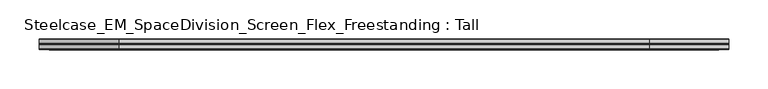
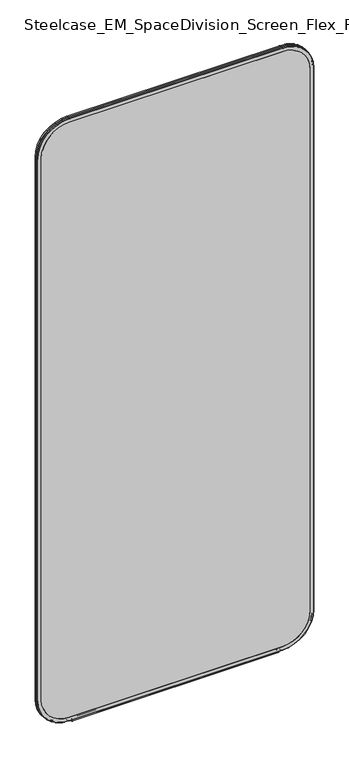
"""IFC4 building model written with IfcOpenShell, lengths in millimetres: furniture geometry, Steelcase_EM_SpaceDivision_Screen_Flex_Freestanding : Tall."""

import ifcopenshell
import ifcopenshell.guid

model = None  # the IFC model being written
_history = None  # IfcOwnerHistory: only IFC2X3 demands one
_inside = {}  # id of a spatial element -> (the spatial element, [elements in it])
_under = {}  # id of a project, library or spatial element -> (it, [spatial elements below it])
_declared = {}  # id of a project -> (the project, [libraries it declares])
_typed = {}  # id of a type object -> (the type object, [elements of that type])
_made_of = {}  # id of a material, layer set ... -> (it, [elements and type objects made of it])


def new_model(schema):
    """Start an empty IFC model of exactly this schema.

    Asked for "IFC4X3", IfcOpenShell would pick the latest addendum, in which some entities
    have other attributes; the version numbers below select the first issue.
    IFC2X3 requires an IfcOwnerHistory on every rooted entity: one is made here for all.
    """
    global model, _history
    if schema == "IFC4X3":
        model = ifcopenshell.file(schema_version=(4, 3, 0, 0))
    else:
        model = ifcopenshell.file(schema=schema)
    _inside.clear()
    _under.clear()
    _declared.clear()
    _typed.clear()
    _made_of.clear()
    _history = None
    if model.schema == "IFC2X3":
        org = make("IfcOrganization", Name="unknown")
        user = make(
            "IfcPersonAndOrganization",
            ThePerson=make("IfcPerson", FamilyName="unknown"),
            TheOrganization=org,
        )
        app = make(
            "IfcApplication",
            ApplicationDeveloper=org,
            Version="unknown",
            ApplicationFullName="unknown",
            ApplicationIdentifier="unknown",
        )
        _history = make(
            "IfcOwnerHistory",
            OwningUser=user,
            OwningApplication=app,
            ChangeAction="ADDED",
            CreationDate=0,
        )
    return model


def make(cls, **values):
    """One entity of the class cls with the attributes given. An attribute that is None is left unset."""
    return model.create_entity(
        cls, **{name: value for name, value in values.items() if value is not None}
    )


def rooted(cls, **values):
    """An entity with a GlobalId (a new one), such as an element, a storey or a relation."""
    return make(cls, GlobalId=ifcopenshell.guid.new(), OwnerHistory=_history, **values)


def si_unit(unit_type, name, prefix=None):
    """IfcSIUnit, for example si_unit("LENGTHUNIT", "METRE", prefix="MILLI")."""
    return make("IfcSIUnit", UnitType=unit_type, Prefix=prefix, Name=name)


def assignment(units):
    """IfcUnitAssignment: the units of a project."""
    return None if units is None else make("IfcUnitAssignment", Units=units)


def point(xyz):
    """IfcCartesianPoint."""
    return None if xyz is None else make("IfcCartesianPoint", Coordinates=xyz)


def direction(xyz):
    """IfcDirection."""
    return None if xyz is None else make("IfcDirection", DirectionRatios=xyz)


def frame(location, z_axis=None, x_axis=None):
    """IfcAxis2Placement3D, a coordinate frame: its origin and axes. An axis left out is left unset."""
    return make(
        "IfcAxis2Placement3D",
        Location=point(location),
        Axis=direction(z_axis),
        RefDirection=direction(x_axis),
    )


def frame_2d(location, x_axis=None):
    """IfcAxis2Placement2D, a coordinate frame in the plane: its origin and x axis."""
    return make(
        "IfcAxis2Placement2D", Location=point(location), RefDirection=direction(x_axis)
    )


def origin():
    """The frame at (0, 0, 0) with its axes left unset."""
    return frame((0.0, 0.0, 0.0))


def place(relative_to, where):
    """IfcLocalPlacement: puts the frame where relative to a parent placement (None: the world)."""
    return make(
        "IfcLocalPlacement", PlacementRelTo=relative_to, RelativePlacement=where
    )


def context(
    kind, dimensions, precision=None, world=None, true_north=None, identifier=None
):
    """IfcGeometricRepresentationContext, for example the 3D "Model" context."""
    return make(
        "IfcGeometricRepresentationContext",
        ContextIdentifier=identifier,
        ContextType=kind,
        CoordinateSpaceDimension=dimensions,
        Precision=precision,
        WorldCoordinateSystem=world,
        TrueNorth=true_north,
    )


def project(units=None, contexts=None):
    """IfcProject with its units and contexts."""
    return rooted(
        "IfcProject",
        Name="project",
        RepresentationContexts=contexts,
        UnitsInContext=assignment(units),
    )


def spatial(cls, under=None, at=None, **own):
    """A site, building, storey or space (cls), placed at a placement, below another one or the project."""
    s = rooted(cls, ObjectPlacement=at, **own)
    if under is not None:
        _under.setdefault(under.id(), (under, []))[1].append(s)
    return s


def polyline(points):
    """IfcPolyline through the points."""
    return make("IfcPolyline", Points=[point(p) for p in points])


def circle_curve(where, radius):
    """IfcCircle in the frame where."""
    return make("IfcCircle", Position=where, Radius=radius)


def ellipse_curve(where, semi_axis1, semi_axis2):
    """IfcEllipse in the frame where."""
    return make(
        "IfcEllipse", Position=where, SemiAxis1=semi_axis1, SemiAxis2=semi_axis2
    )


def trimmed(basis, trim1, trim2, sense, master):
    """IfcTrimmedCurve: the piece of a basis curve between two trims."""
    return make(
        "IfcTrimmedCurve",
        BasisCurve=basis,
        Trim1=trim1,
        Trim2=trim2,
        SenseAgreement=sense,
        MasterRepresentation=master,
    )


def segment(curve, same_sense, transition):
    """IfcCompositeCurveSegment."""
    return make(
        "IfcCompositeCurveSegment",
        Transition=transition,
        SameSense=same_sense,
        ParentCurve=curve,
    )


def composite_curve(segments, self_intersect=None):
    """IfcCompositeCurve: segments joined end to end."""
    return make("IfcCompositeCurve", Segments=segments, SelfIntersect=self_intersect)


def outline(outer, holes=None, kind="AREA"):
    """IfcArbitraryClosedProfileDef: a profile drawn as a closed curve; with holes, ...WithVoids."""
    if holes is None:
        return make("IfcArbitraryClosedProfileDef", ProfileType=kind, OuterCurve=outer)
    return make(
        "IfcArbitraryProfileDefWithVoids",
        ProfileType=kind,
        OuterCurve=outer,
        InnerCurves=holes,
    )


def extrude(swept, where, along, depth):
    """IfcExtrudedAreaSolid: the profile swept, set in the frame where, extruded along a direction by depth."""
    return make(
        "IfcExtrudedAreaSolid",
        SweptArea=swept,
        Position=where,
        ExtrudedDirection=direction(along),
        Depth=depth,
    )


def shape(context_of_items, identifier, shape_type, items):
    """IfcShapeRepresentation: the items that make up one representation, for example the "Body"."""
    return make(
        "IfcShapeRepresentation",
        ContextOfItems=context_of_items,
        RepresentationIdentifier=identifier,
        RepresentationType=shape_type,
        Items=items,
    )


def source(mapping_origin, context_of_items, identifier, shape_type, items):
    """IfcRepresentationMap: a shape defined once, which mapped items show again and again."""
    return make(
        "IfcRepresentationMap",
        MappingOrigin=mapping_origin,
        MappedRepresentation=shape(context_of_items, identifier, shape_type, items),
    )


def transform(
    local_origin,
    x_axis=None,
    y_axis=None,
    z_axis=None,
    scale=None,
    scale2=None,
    scale3=None,
    uniform=True,
):
    """IfcCartesianTransformationOperator3D, or its non-uniform kind. x_axis, y_axis, z_axis: its Axis1, 2, 3."""
    if uniform:
        return make(
            "IfcCartesianTransformationOperator3D",
            Axis1=direction(x_axis),
            Axis2=direction(y_axis),
            LocalOrigin=point(local_origin),
            Scale=scale,
            Axis3=direction(z_axis),
        )
    return make(
        "IfcCartesianTransformationOperator3DnonUniform",
        Axis1=direction(x_axis),
        Axis2=direction(y_axis),
        LocalOrigin=point(local_origin),
        Scale=scale,
        Axis3=direction(z_axis),
        Scale2=scale2,
        Scale3=scale3,
    )


def mapped(mapping_source, mapping_target):
    """IfcMappedItem: shows the shape of a source again, moved by a transform."""
    return make(
        "IfcMappedItem", MappingSource=mapping_source, MappingTarget=mapping_target
    )


def made_of(thing, what):
    """Note that an element or type object is made of a material, layer set ...; save() writes the relation."""
    if what is not None:
        _made_of.setdefault(what.id(), (what, []))[1].append(thing)
    return thing


def element(
    cls,
    number,
    at=None,
    inside=None,
    cuts=None,
    type_object=None,
    material=None,
    context=None,
    identifier="Body",
    shape_type=None,
    held_by="IfcProductDefinitionShape",
    body=None,
    shapes=None,
    **own,
):
    """One element of the class cls, such as IfcWall. Its Tag is "e" and its number.

    at: its placement. inside: the storey or other place that contains it. cuts: it is an
    opening in that element (IfcRelVoidsElement). A single representation is given by context,
    identifier, shape_type and body (its items); several are given by shapes. held_by: the class
    of the entity that holds the representations. save() writes the other relations.
    """
    e = rooted(cls, Tag="e%d" % number, ObjectPlacement=at, **own)
    if body is not None:
        shapes = [shape(context, identifier, shape_type, body)]
    if shapes is not None:
        e.Representation = make(held_by, Representations=shapes)
    if inside is not None:
        _inside.setdefault(inside.id(), (inside, []))[1].append(e)
    if cuts is not None:
        rooted(
            "IfcRelVoidsElement", RelatingBuildingElement=cuts, RelatedOpeningElement=e
        )
    if type_object is not None:
        _typed.setdefault(type_object.id(), (type_object, []))[1].append(e)
    return made_of(e, material)


def aggregate(whole, parts):
    """IfcRelAggregates: a whole, such as a stair, and the parts it consists of."""
    return rooted("IfcRelAggregates", RelatingObject=whole, RelatedObjects=parts)


def save(model, path):
    """Write the relations noted so far, then the file.

    IfcRelAggregates (storeys below a building ...), IfcRelContainedInSpatialStructure (elements
    in a storey), IfcRelDefinesByType, IfcRelAssociatesMaterial and IfcRelDeclares: one each for
    every whole, place, type object, material and project.
    """
    for whole, parts in _under.values():
        aggregate(whole, parts)
    for where, things in _inside.values():
        rooted(
            "IfcRelContainedInSpatialStructure",
            RelatedElements=things,
            RelatingStructure=where,
        )
    for kind, things in _typed.values():
        rooted("IfcRelDefinesByType", RelatedObjects=things, RelatingType=kind)
    for what, things in _made_of.values():
        rooted("IfcRelAssociatesMaterial", RelatedObjects=things, RelatingMaterial=what)
    for by, libraries in _declared.values():
        rooted("IfcRelDeclares", RelatingContext=by, RelatedDefinitions=libraries)
    model.write(path)


def plane_surface(at):
    """IfcPlane: the flat surface through the origin of the frame at, square to its z axis."""
    return make("IfcPlane", Position=at)


def cylinder_surface(at, radius):
    """IfcCylindricalSurface: all points at the distance radius from the z axis of the frame at."""
    return make("IfcCylindricalSurface", Position=at, Radius=radius)


def revolved_surface(curve, axis_point, axis_direction):
    """IfcSurfaceOfRevolution: the curve turned about the line through axis_point along axis_direction."""
    return make(
        "IfcSurfaceOfRevolution",
        SweptCurve=make("IfcArbitraryOpenProfileDef", ProfileType="CURVE", Curve=curve),
        AxisPosition=make("IfcAxis1Placement", Location=point(axis_point), Axis=direction(axis_direction)),
    )


def advanced_brep(points, edges, surfaces, faces):
    """IfcAdvancedBrep: a solid bounded by faces that lie on surfaces and meet in shared edges.

    An edge is (start, end): straight between two places in points (the first is 0);
    or (start, end, curve); or (start, end, curve, False) where it runs against its curve.
    A face is (place in surfaces, loops), or (place, loops, False) where it looks against
    its surface's normal. A loop lists edges by number (the first is 1), with a minus sign
    where the edge is run from its end to its start. The first loop is the outer one.
    """
    corners = [point(p) for p in points]
    vertices = [make("IfcVertexPoint", VertexGeometry=c) for c in corners]
    made = []
    for start, end, *more in edges:
        made.append(
            make(
                "IfcEdgeCurve",
                EdgeStart=vertices[start],
                EdgeEnd=vertices[end],
                EdgeGeometry=more[0] if more else make("IfcPolyline", Points=[corners[start], corners[end]]),
                SameSense=more[1] if len(more) > 1 else True,
            )
        )
    hull = []
    for where, loops, *sense in faces:
        bounds = []
        for j, loop in enumerate(loops):
            ring = [make("IfcOrientedEdge", EdgeElement=made[abs(k) - 1], Orientation=k > 0) for k in loop]
            bounds.append(
                make(
                    "IfcFaceOuterBound" if j == 0 else "IfcFaceBound",
                    Bound=make("IfcEdgeLoop", EdgeList=ring),
                    Orientation=True,
                )
            )
        hull.append(make("IfcAdvancedFace", Bounds=bounds, FaceSurface=surfaces[where], SameSense=sense[0] if sense else True))
    return make("IfcAdvancedBrep", Outer=make("IfcClosedShell", CfsFaces=hull))


def steelcase_em_spacedivision_screen_flex_freestanding_tall_62947a7c(model_context):
    return source(origin(), model_context, "Body", "SolidModel", [
        extrude(outline(composite_curve([segment(trimmed(circle_curve(frame_2d((3.5, 2.4751953)), 2.5), [point((3.5, 4.9751953))], [point((1.4656663, 1.0220998))], False, "CARTESIAN"), True, "CONTINUOUS"), segment(trimmed(circle_curve(frame_2d((0.0, -0.0248047)), 1.8011626), [point((1.4656663, 1.0220998))], [point((-1.4656663, 1.0220998))], True, "CARTESIAN"), True, "CONTINUOUS"), segment(trimmed(circle_curve(frame_2d((-3.5, 2.4751953)), 2.5), [point((-1.4656663, 1.0220998))], [point((-3.5, 4.9751953))], False, "CARTESIAN"), True, "CONTINUOUS"), segment(trimmed(circle_curve(frame_2d((-3.5, 4.4751953)), 0.5), [point((-3.5, 4.9751953))], [point((-3.5, 3.9751953))], False, "CARTESIAN"), True, "CONTINUOUS"), segment(trimmed(circle_curve(frame_2d((-3.5, 2.4751953)), 1.5), [point((-3.5, 3.9751953))], [point((-2.3025096, 1.5718589))], True, "CARTESIAN"), True, "CONTINUOUS"), segment(trimmed(circle_curve(frame_2d((-10.3325937, 7.629417)), 10.0586411), [point((-2.3025096, 1.5718589))], [point((-0.714976, 4.6836248))], True, "CARTESIAN"), True, "CONTINUOUS"), segment(trimmed(circle_curve(frame_2d((0.0, 4.4646339)), 0.7477618), [point((-0.714976, 4.6836248))], [point((0.714976, 4.6836248))], False, "CARTESIAN"), True, "CONTINUOUS"), segment(trimmed(circle_curve(frame_2d((10.3325937, 7.629417)), 10.0586411), [point((0.714976, 4.6836248))], [point((2.3025096, 1.5718589))], True, "CARTESIAN"), True, "CONTINUOUS"), segment(trimmed(circle_curve(frame_2d((3.5, 2.4751953)), 1.5), [point((2.3025096, 1.5718589))], [point((3.5, 3.9751953))], True, "CARTESIAN"), True, "CONTINUOUS"), segment(trimmed(circle_curve(frame_2d((3.5, 4.4751953)), 0.5), [point((3.5, 3.9751953))], [point((3.5, 4.9751953))], False, "CARTESIAN"), True, "CONTINUOUS")], self_intersect=False)), frame((120.0, 0.0, 0.0), z_axis=(1.0, 0.0, 0.0), x_axis=(0.0, 1.0, 0.0)), (0.0, 0.0, 1.0), 660.0),
        advanced_brep(
        [(9.9273521, 0.0, 1930.4), (9.9273521, 0.0, 106.5996464), (110.7653521, 0.0, 5.7616464), (789.2594661, 0.0, 5.7616464), (890.0974661, 0.0, 106.5996464), (890.0974661, 0.0, 1930.4), (789.2594661, 0.0, 2031.238), (110.7653521, 0.0, 2031.238), (789.2594661, 0.0, 17.6996464), (110.7653521, 0.0, 17.6996464), (21.8653521, 0.0, 106.5996464), (21.8653521, 0.0, 1930.4), (110.7653521, 0.0, 2019.3), (789.2594661, 0.0, 2019.3), (878.1594661, 0.0, 1930.4), (878.1594661, 0.0, 106.5996464), (110.7653521, 0.762, 2032.0), (9.1653521, 0.762, 1930.4), (110.7653521, 6.096, 2032.0), (9.1653521, 6.096, 1930.4), (110.7653521, 6.858, 2031.238), (9.9273521, 6.858, 1930.4), (21.8653521, 6.858, 1930.4), (110.7653521, 6.858, 2019.3), (789.2594661, 0.762, 2032.0), (789.2594661, 6.096, 2032.0), (789.2594661, 6.858, 2031.238), (789.2594661, 6.858, 2019.3), (890.8594661, 0.762, 1930.4), (890.8594661, 6.096, 1930.4), (890.0974661, 6.858, 1930.4), (878.1594661, 6.858, 1930.4), (890.8594661, 0.762, 106.5996464), (890.8594661, 6.096, 106.5996464), (890.0974661, 6.858, 106.5996464), (878.1594661, 6.858, 106.5996464), (789.2594661, 0.762, 4.9996464), (789.2594661, 6.096, 4.9996464), (789.2594661, 6.858, 5.7616464), (789.2594661, 6.858, 17.6996464), (110.7653521, 0.762, 4.9996464), (110.7653521, 6.096, 4.9996464), (110.7653521, 6.858, 5.7616464), (110.7653521, 6.858, 17.6996464), (9.1653521, 0.762, 106.5996464), (9.1653521, 6.096, 106.5996464), (9.9273521, 6.858, 106.5996464), (21.8653521, 6.858, 106.5996464)],
        [
            (0, 1),
            (1, 2, circle_curve(frame((110.7653521, 0.0, 106.5996464), z_axis=(0.0, -1.0, 0.0), x_axis=(0.0, 0.0, -1.0)), 100.838)),
            (2, 3),
            (3, 4, circle_curve(frame((789.2594661, 0.0, 106.5996464), z_axis=(0.0, -1.0, 0.0), x_axis=(1.0, 0.0, 0.0)), 100.838)),
            (4, 5),
            (5, 6, circle_curve(frame((789.2594661, 0.0, 1930.4), z_axis=(0.0, -1.0, 0.0), x_axis=(0.0, 0.0, 1.0)), 100.838)),
            (6, 7),
            (7, 0, circle_curve(frame((110.7653521, 0.0, 1930.4), z_axis=(0.0, -1.0, 0.0), x_axis=(-1.0, 0.0, 0.0)), 100.838)),
            (8, 9),
            (9, 10, circle_curve(frame((110.7653521, 0.0, 106.5996464), z_axis=(0.0, 1.0, 0.0), x_axis=(0.0, 0.0, -1.0)), 88.9)),
            (10, 11),
            (11, 12, circle_curve(frame((110.7653521, 0.0, 1930.4), z_axis=(0.0, 1.0, 0.0), x_axis=(-1.0, 0.0, 0.0)), 88.9)),
            (12, 13),
            (13, 14, circle_curve(frame((789.2594661, 0.0, 1930.4), z_axis=(0.0, 1.0, 0.0), x_axis=(0.0, 0.0, 1.0)), 88.9)),
            (14, 15),
            (15, 8, circle_curve(frame((789.2594661, 0.0, 106.5996464), z_axis=(0.0, 1.0, 0.0), x_axis=(1.0, 0.0, 0.0)), 88.9)),
            (16, 17, circle_curve(frame((110.7653521, 0.762, 1930.4), z_axis=(0.0, -1.0, 0.0), x_axis=(-1.0, 0.0, 0.0)), 101.6)),
            (17, 0, circle_curve(frame((9.9273521, 0.762, 1930.4), z_axis=(0.0, 0.0, 1.0), x_axis=(-1.0, 0.0, 0.0)), 0.762)),
            (7, 16, circle_curve(frame((110.7653521, 0.762, 2031.238), z_axis=(-1.0, 0.0, 0.0), x_axis=(0.0, 0.0, 1.0)), 0.762)),
            (18, 19, circle_curve(frame((110.7653521, 6.096, 1930.4), z_axis=(0.0, -1.0, 0.0), x_axis=(-1.0, 0.0, 0.0)), 101.6)),
            (19, 17),
            (16, 18),
            (20, 21, circle_curve(frame((110.7653521, 6.858, 1930.4), z_axis=(0.0, -1.0, 0.0), x_axis=(-1.0, 0.0, 0.0)), 100.838)),
            (21, 19, circle_curve(frame((9.9273521, 6.096, 1930.4), z_axis=(0.0, 0.0, 1.0), x_axis=(-1.0, 0.0, 0.0)), 0.762)),
            (18, 20, circle_curve(frame((110.7653521, 6.096, 2031.238), z_axis=(-1.0, 0.0, 0.0), x_axis=(0.0, 0.0, 1.0)), 0.762)),
            (11, 22),
            (22, 23, circle_curve(frame((110.7653521, 6.858, 1930.4), z_axis=(0.0, 1.0, 0.0), x_axis=(-1.0, 0.0, 0.0)), 88.9)),
            (23, 12),
            (6, 24, circle_curve(frame((789.2594661, 0.762, 2031.238), z_axis=(-1.0, 0.0, 0.0), x_axis=(0.0, 0.0, 1.0)), 0.762)),
            (24, 16),
            (24, 25),
            (25, 18),
            (25, 26, circle_curve(frame((789.2594661, 6.096, 2031.238), z_axis=(-1.0, 0.0, 0.0), x_axis=(0.0, 0.0, 1.0)), 0.762)),
            (26, 20),
            (23, 27),
            (27, 13),
            (28, 24, circle_curve(frame((789.2594661, 0.762, 1930.4), z_axis=(0.0, -1.0, 0.0), x_axis=(0.0, 0.0, 1.0)), 101.6)),
            (5, 28, circle_curve(frame((890.0974661, 0.762, 1930.4), z_axis=(0.0, 0.0, 1.0), x_axis=(1.0, 0.0, 0.0)), 0.762)),
            (29, 25, circle_curve(frame((789.2594661, 6.096, 1930.4), z_axis=(0.0, -1.0, 0.0), x_axis=(0.0, 0.0, 1.0)), 101.6)),
            (28, 29),
            (30, 26, circle_curve(frame((789.2594661, 6.858, 1930.4), z_axis=(0.0, -1.0, 0.0), x_axis=(0.0, 0.0, 1.0)), 100.838)),
            (29, 30, circle_curve(frame((890.0974661, 6.096, 1930.4), z_axis=(0.0, 0.0, 1.0), x_axis=(1.0, 0.0, 0.0)), 0.762)),
            (27, 31, circle_curve(frame((789.2594661, 6.858, 1930.4), z_axis=(0.0, 1.0, 0.0), x_axis=(0.0, 0.0, 1.0)), 88.9)),
            (31, 14),
            (4, 32, circle_curve(frame((890.0974661, 0.762, 106.5996464), z_axis=(0.0, 0.0, 1.0), x_axis=(1.0, 0.0, 0.0)), 0.762)),
            (32, 28),
            (32, 33),
            (33, 29),
            (33, 34, circle_curve(frame((890.0974661, 6.096, 106.5996464), z_axis=(0.0, 0.0, 1.0), x_axis=(1.0, 0.0, 0.0)), 0.762)),
            (34, 30),
            (31, 35),
            (35, 15),
            (36, 32, circle_curve(frame((789.2594661, 0.762, 106.5996464), z_axis=(0.0, -1.0, 0.0), x_axis=(1.0, 0.0, 0.0)), 101.6)),
            (3, 36, circle_curve(frame((789.2594661, 0.762, 5.7616464), z_axis=(1.0, 0.0, 0.0), x_axis=(0.0, 0.0, -1.0)), 0.762)),
            (37, 33, circle_curve(frame((789.2594661, 6.096, 106.5996464), z_axis=(0.0, -1.0, 0.0), x_axis=(1.0, 0.0, 0.0)), 101.6)),
            (36, 37),
            (38, 34, circle_curve(frame((789.2594661, 6.858, 106.5996464), z_axis=(0.0, -1.0, 0.0), x_axis=(1.0, 0.0, 0.0)), 100.838)),
            (37, 38, circle_curve(frame((789.2594661, 6.096, 5.7616464), z_axis=(1.0, 0.0, 0.0), x_axis=(0.0, 0.0, -1.0)), 0.762)),
            (35, 39, circle_curve(frame((789.2594661, 6.858, 106.5996464), z_axis=(0.0, 1.0, 0.0), x_axis=(1.0, 0.0, 0.0)), 88.9)),
            (39, 8),
            (2, 40, circle_curve(frame((110.7653521, 0.762, 5.7616464), z_axis=(1.0, 0.0, 0.0), x_axis=(0.0, 0.0, -1.0)), 0.762)),
            (40, 36),
            (40, 41),
            (41, 37),
            (41, 42, circle_curve(frame((110.7653521, 6.096, 5.7616464), z_axis=(1.0, 0.0, 0.0), x_axis=(0.0, 0.0, -1.0)), 0.762)),
            (42, 38),
            (39, 43),
            (43, 9),
            (44, 40, circle_curve(frame((110.7653521, 0.762, 106.5996464), z_axis=(0.0, -1.0, 0.0), x_axis=(0.0, 0.0, -1.0)), 101.6)),
            (1, 44, circle_curve(frame((9.9273521, 0.762, 106.5996464), z_axis=(0.0, 0.0, -1.0), x_axis=(-1.0, 0.0, 0.0)), 0.762)),
            (45, 41, circle_curve(frame((110.7653521, 6.096, 106.5996464), z_axis=(0.0, -1.0, 0.0), x_axis=(0.0, 0.0, -1.0)), 101.6)),
            (44, 45),
            (46, 42, circle_curve(frame((110.7653521, 6.858, 106.5996464), z_axis=(0.0, -1.0, 0.0), x_axis=(0.0, 0.0, -1.0)), 100.838)),
            (45, 46, circle_curve(frame((9.9273521, 6.096, 106.5996464), z_axis=(0.0, 0.0, -1.0), x_axis=(-1.0, 0.0, 0.0)), 0.762)),
            (43, 47, circle_curve(frame((110.7653521, 6.858, 106.5996464), z_axis=(0.0, 1.0, 0.0), x_axis=(0.0, 0.0, -1.0)), 88.9)),
            (47, 10),
            (17, 44),
            (19, 45),
            (21, 46),
            (22, 47),
        ],
        [
            plane_surface(frame((21.8653521, 0.0, 106.5996464), z_axis=(0.0, -1.0, 0.0), x_axis=(0.0, 0.0, 1.0))),
            revolved_surface(trimmed(ellipse_curve(frame((9.9273521, 0.762, 1930.4), z_axis=(0.0, 0.0, -1.0), x_axis=(-1.0, 0.0, 0.0)), 0.762, 0.762), [point((9.9273521, 0.0, 1930.4))], [point((9.1653521, 0.762, 1930.4))], True, "CARTESIAN"), (110.7653521, 0.0, 1930.4), (0.0, 1.0, 0.0)),
            cylinder_surface(frame((110.7653521, 0.0, 1930.4), z_axis=(0.0, 1.0, 0.0), x_axis=(-1.0, 0.0, 0.0)), 101.6),
            revolved_surface(trimmed(ellipse_curve(frame((9.9273521, 6.096, 1930.4), z_axis=(0.0, 0.0, -1.0), x_axis=(-1.0, 0.0, 0.0)), 0.762, 0.762), [point((9.1653521, 6.096, 1930.4))], [point((9.9273521, 6.858, 1930.4))], True, "CARTESIAN"), (110.7653521, 0.0, 1930.4), (0.0, 1.0, 0.0)),
            revolved_surface(polyline([(21.865352099999996, 6.858, 1930.4), (21.865352099999996, 0.0, 1930.4)]), (110.7653521, 0.0, 1930.4), (0.0, 1.0, 0.0)),
            cylinder_surface(frame((110.7653521, 0.762, 2031.238), z_axis=(-1.0, 0.0, 0.0), x_axis=(0.0, 0.0, 1.0)), 0.762),
            plane_surface(frame((110.7653521, 0.762, 2032.0), z_axis=(0.0, 0.0, 1.0), x_axis=(1.0, 0.0, 0.0))),
            cylinder_surface(frame((110.7653521, 6.096, 2031.238), z_axis=(-1.0, 0.0, 0.0), x_axis=(0.0, 0.0, 1.0)), 0.762),
            plane_surface(frame((110.7653521, 6.858, 2019.3), z_axis=(0.0, 0.0, -1.0), x_axis=(1.0, 0.0, 0.0))),
            revolved_surface(trimmed(ellipse_curve(frame((789.2594661, 0.762, 2031.238), z_axis=(-1.0, 0.0, 0.0), x_axis=(0.0, 0.0, 1.0)), 0.762, 0.762), [point((789.2594661, 0.0, 2031.238))], [point((789.2594661, 0.762, 2032.0))], True, "CARTESIAN"), (789.2594661, 0.0, 1930.4), (0.0, 1.0, 0.0)),
            cylinder_surface(frame((789.2594661, 0.0, 1930.4), z_axis=(0.0, 1.0, 0.0), x_axis=(0.0, 0.0, 1.0)), 101.6),
            revolved_surface(trimmed(ellipse_curve(frame((789.2594661, 6.096, 2031.238), z_axis=(-1.0, 0.0, 0.0), x_axis=(0.0, 0.0, 1.0)), 0.762, 0.762), [point((789.2594661, 6.096, 2032.0))], [point((789.2594661, 6.858, 2031.238))], True, "CARTESIAN"), (789.2594661, 0.0, 1930.4), (0.0, 1.0, 0.0)),
            revolved_surface(polyline([(789.2594661, 6.858, 2019.3000000000002), (789.2594661, 0.0, 2019.3000000000002)]), (789.2594661, 0.0, 1930.4), (0.0, 1.0, 0.0)),
            cylinder_surface(frame((890.0974661, 0.762, 1930.4), z_axis=(0.0, 0.0, 1.0), x_axis=(1.0, 0.0, 0.0)), 0.762),
            plane_surface(frame((890.8594661, 0.762, 1930.4), z_axis=(1.0, 0.0, 0.0), x_axis=(0.0, 0.0, -1.0))),
            cylinder_surface(frame((890.0974661, 6.096, 1930.4), z_axis=(0.0, 0.0, 1.0), x_axis=(1.0, 0.0, 0.0)), 0.762),
            plane_surface(frame((878.1594661, 6.858, 1930.4), z_axis=(-1.0, 0.0, 0.0), x_axis=(0.0, 0.0, -1.0))),
            revolved_surface(trimmed(ellipse_curve(frame((890.0974661, 0.762, 106.5996464), z_axis=(0.0, 0.0, 1.0), x_axis=(1.0, 0.0, 0.0)), 0.762, 0.762), [point((890.0974661, 0.0, 106.5996464))], [point((890.8594661, 0.762, 106.5996464))], True, "CARTESIAN"), (789.2594661, 0.0, 106.5996464), (0.0, 1.0, 0.0)),
            cylinder_surface(frame((789.2594661, 0.0, 106.5996464), z_axis=(0.0, 1.0, 0.0), x_axis=(1.0, 0.0, 0.0)), 101.6),
            revolved_surface(trimmed(ellipse_curve(frame((890.0974661, 6.096, 106.5996464), z_axis=(0.0, 0.0, 1.0), x_axis=(1.0, 0.0, 0.0)), 0.762, 0.762), [point((890.8594661, 6.096, 106.5996464))], [point((890.0974661, 6.858, 106.5996464))], True, "CARTESIAN"), (789.2594661, 0.0, 106.5996464), (0.0, 1.0, 0.0)),
            revolved_surface(polyline([(878.1594661, 6.858, 106.5996464), (878.1594661, 0.0, 106.5996464)]), (789.2594661, 0.0, 106.5996464), (0.0, 1.0, 0.0)),
            cylinder_surface(frame((789.2594661, 0.762, 5.7616464), z_axis=(1.0, 0.0, 0.0), x_axis=(0.0, 0.0, -1.0)), 0.762),
            plane_surface(frame((789.2594661, 0.762, 4.9996464), z_axis=(0.0, 0.0, -1.0), x_axis=(-1.0, 0.0, 0.0))),
            cylinder_surface(frame((789.2594661, 6.096, 5.7616464), z_axis=(1.0, 0.0, 0.0), x_axis=(0.0, 0.0, -1.0)), 0.762),
            plane_surface(frame((789.2594661, 6.858, 17.6996464), z_axis=(0.0, 0.0, 1.0), x_axis=(-1.0, 0.0, 0.0))),
            revolved_surface(trimmed(ellipse_curve(frame((110.7653521, 0.762, 5.7616464), z_axis=(1.0, 0.0, 0.0), x_axis=(0.0, 0.0, -1.0)), 0.762, 0.762), [point((110.7653521, 0.0, 5.7616464))], [point((110.7653521, 0.762, 4.9996464))], True, "CARTESIAN"), (110.7653521, 0.0, 106.5996464), (0.0, 1.0, 0.0)),
            cylinder_surface(frame((110.7653521, 0.0, 106.5996464), z_axis=(0.0, 1.0, 0.0), x_axis=(0.0, 0.0, -1.0)), 101.6),
            revolved_surface(trimmed(ellipse_curve(frame((110.7653521, 6.096, 5.7616464), z_axis=(1.0, 0.0, 0.0), x_axis=(0.0, 0.0, -1.0)), 0.762, 0.762), [point((110.7653521, 6.096, 4.9996464))], [point((110.7653521, 6.858, 5.7616464))], True, "CARTESIAN"), (110.7653521, 0.0, 106.5996464), (0.0, 1.0, 0.0)),
            revolved_surface(polyline([(110.7653521, 6.858, 17.699646399999992), (110.7653521, 0.0, 17.699646399999992)]), (110.7653521, 0.0, 106.5996464), (0.0, 1.0, 0.0)),
            cylinder_surface(frame((9.9273521, 0.762, 106.5996464), z_axis=(0.0, 0.0, -1.0), x_axis=(-1.0, 0.0, 0.0)), 0.762),
            plane_surface(frame((9.1653521, 0.762, 106.5996464), z_axis=(-1.0, 0.0, 0.0), x_axis=(0.0, 0.0, 1.0))),
            cylinder_surface(frame((9.9273521, 6.096, 106.5996464), z_axis=(0.0, 0.0, -1.0), x_axis=(-1.0, 0.0, 0.0)), 0.762),
            plane_surface(frame((9.9273521, 6.858, 106.5996464), z_axis=(0.0, 1.0, 0.0), x_axis=(0.0, 0.0, 1.0))),
            plane_surface(frame((21.8653521, 6.858, 106.5996464), z_axis=(1.0, 0.0, 0.0), x_axis=(0.0, 0.0, 1.0))),
        ],
        [
            (0, [[1, 2, 3, 4, 5, 6, 7, 8], [9, 10, 11, 12, 13, 14, 15, 16]]),
            (1, [[17, 18, -8, 19]]),
            (2, [[20, 21, -17, 22]]),
            (3, [[23, 24, -20, 25]]),
            (4, [[-12, 26, 27, 28]]),
            (5, [[-19, -7, 29, 30]]),
            (6, [[-22, -30, 31, 32]]),
            (7, [[-25, -32, 33, 34]]),
            (8, [[-28, 35, 36, -13]]),
            (9, [[37, -29, -6, 38]]),
            (10, [[39, -31, -37, 40]]),
            (11, [[41, -33, -39, 42]]),
            (12, [[-14, -36, 43, 44]]),
            (13, [[-38, -5, 45, 46]]),
            (14, [[-40, -46, 47, 48]]),
            (15, [[-42, -48, 49, 50]]),
            (16, [[-44, 51, 52, -15]]),
            (17, [[53, -45, -4, 54]]),
            (18, [[55, -47, -53, 56]]),
            (19, [[57, -49, -55, 58]]),
            (20, [[-16, -52, 59, 60]]),
            (21, [[-54, -3, 61, 62]]),
            (22, [[-56, -62, 63, 64]]),
            (23, [[-58, -64, 65, 66]]),
            (24, [[-60, 67, 68, -9]]),
            (25, [[69, -61, -2, 70]]),
            (26, [[71, -63, -69, 72]]),
            (27, [[73, -65, -71, 74]]),
            (28, [[-10, -68, 75, 76]]),
            (29, [[-70, -1, -18, 77]]),
            (30, [[-72, -77, -21, 78]]),
            (31, [[-74, -78, -24, 79]]),
            (32, [[-66, -73, -79, -23, -34, -41, -50, -57], [80, -75, -67, -59, -51, -43, -35, -27]]),
            (33, [[-76, -80, -26, -11]]),
        ],
    ),
        extrude(outline(composite_curve([segment(polyline([(2019.3, 789.2594661), (2019.3, 110.7653521)]), True, "CONTINUOUS"), segment(trimmed(circle_curve(frame_2d((1930.4, 110.7653521)), 88.9), [point((2019.3, 110.7653521))], [point((1930.4, 21.8653521))], False, "CARTESIAN"), True, "CONTINUOUS"), segment(polyline([(1930.4, 21.8653521), (106.5996464, 21.8653521)]), True, "CONTINUOUS"), segment(trimmed(circle_curve(frame_2d((106.5996464, 110.7653521)), 88.9), [point((106.5996464, 21.8653521))], [point((17.6996464, 110.7653521))], False, "CARTESIAN"), True, "CONTINUOUS"), segment(polyline([(17.6996464, 110.7653521), (17.6996464, 789.2594661)]), True, "CONTINUOUS"), segment(trimmed(circle_curve(frame_2d((106.5996464, 789.2594661)), 88.9), [point((17.6996464, 789.2594661))], [point((106.5996464, 878.1594661))], False, "CARTESIAN"), True, "CONTINUOUS"), segment(polyline([(106.5996464, 878.1594661), (1930.4, 878.1594661)]), True, "CONTINUOUS"), segment(trimmed(circle_curve(frame_2d((1930.4, 789.2594661)), 88.9), [point((1930.4, 878.1594661))], [point((2019.3, 789.2594661))], False, "CARTESIAN"), True, "CONTINUOUS")], self_intersect=False)), frame((0.0, 0.0, 0.0), z_axis=(0.0, 1.0, 0.0), x_axis=(0.0, 0.0, 1.0)), (0.0, 0.0, 1.0), 6.858),
        advanced_brep(
        [(110.7653521, -6.858, 2019.3), (21.8653521, -6.858, 1930.4), (21.8653521, 0.0, 1930.4), (110.7653521, 0.0, 2019.3), (110.7653521, -6.096, 2032.0), (9.1653521, -6.096, 1930.4), (9.9273521, -6.858, 1930.4), (110.7653521, -6.858, 2031.238), (110.7653521, -0.762, 2032.0), (9.1653521, -0.762, 1930.4), (110.7653521, 0.0, 2031.238), (9.9273521, 0.0, 1930.4), (789.2594661, 0.0, 2019.3), (789.2594661, -6.858, 2019.3), (789.2594661, -6.858, 2031.238), (789.2594661, -6.096, 2032.0), (789.2594661, -0.762, 2032.0), (789.2594661, 0.0, 2031.238), (878.1594661, -6.858, 1930.4), (878.1594661, 0.0, 1930.4), (890.8594661, -6.096, 1930.4), (890.0974661, -6.858, 1930.4), (890.8594661, -0.762, 1930.4), (890.0974661, 0.0, 1930.4), (878.1594661, 0.0, 106.5996464), (878.1594661, -6.858, 106.5996464), (890.0974661, -6.858, 106.5996464), (890.8594661, -6.096, 106.5996464), (890.8594661, -0.762, 106.5996464), (890.0974661, 0.0, 106.5996464), (789.2594661, -6.858, 17.6996464), (789.2594661, 0.0, 17.6996464), (789.2594661, -6.096, 4.9996464), (789.2594661, -6.858, 5.7616464), (789.2594661, -0.762, 4.9996464), (789.2594661, 0.0, 5.7616464), (110.7653521, 0.0, 17.6996464), (110.7653521, -6.858, 17.6996464), (110.7653521, -6.858, 5.7616464), (110.7653521, -6.096, 4.9996464), (110.7653521, -0.762, 4.9996464), (110.7653521, 0.0, 5.7616464), (21.8653521, -6.858, 106.5996464), (21.8653521, 0.0, 106.5996464), (9.1653521, -6.096, 106.5996464), (9.9273521, -6.858, 106.5996464), (9.1653521, -0.762, 106.5996464), (9.9273521, 0.0, 106.5996464)],
        [
            (0, 1, circle_curve(frame((110.7653521, -6.858, 1930.4), z_axis=(0.0, -1.0, 0.0), x_axis=(-1.0, 0.0, 0.0)), 88.9)),
            (1, 2),
            (2, 3, circle_curve(frame((110.7653521, 0.0, 1930.4), z_axis=(0.0, 1.0, 0.0), x_axis=(-1.0, 0.0, 0.0)), 88.9)),
            (3, 0),
            (4, 5, circle_curve(frame((110.7653521, -6.096, 1930.4), z_axis=(0.0, -1.0, 0.0), x_axis=(-1.0, 0.0, 0.0)), 101.6)),
            (5, 6, circle_curve(frame((9.9273521, -6.096, 1930.4), z_axis=(0.0, 0.0, 1.0), x_axis=(-1.0, 0.0, 0.0)), 0.762)),
            (6, 7, circle_curve(frame((110.7653521, -6.858, 1930.4), z_axis=(0.0, 1.0, 0.0), x_axis=(-1.0, 0.0, 0.0)), 100.838)),
            (7, 4, circle_curve(frame((110.7653521, -6.096, 2031.238), z_axis=(-1.0, 0.0, 0.0), x_axis=(0.0, 0.0, 1.0)), 0.762)),
            (8, 9, circle_curve(frame((110.7653521, -0.762, 1930.4), z_axis=(0.0, -1.0, 0.0), x_axis=(-1.0, 0.0, 0.0)), 101.6)),
            (9, 5),
            (4, 8),
            (10, 11, circle_curve(frame((110.7653521, 0.0, 1930.4), z_axis=(0.0, -1.0, 0.0), x_axis=(-1.0, 0.0, 0.0)), 100.838)),
            (11, 9, circle_curve(frame((9.9273521, -0.762, 1930.4), z_axis=(0.0, 0.0, 1.0), x_axis=(-1.0, 0.0, 0.0)), 0.762)),
            (8, 10, circle_curve(frame((110.7653521, -0.762, 2031.238), z_axis=(-1.0, 0.0, 0.0), x_axis=(0.0, 0.0, 1.0)), 0.762)),
            (3, 12),
            (12, 13),
            (13, 0),
            (7, 14),
            (14, 15, circle_curve(frame((789.2594661, -6.096, 2031.238), z_axis=(-1.0, 0.0, 0.0), x_axis=(0.0, 0.0, 1.0)), 0.762)),
            (15, 4),
            (15, 16),
            (16, 8),
            (16, 17, circle_curve(frame((789.2594661, -0.762, 2031.238), z_axis=(-1.0, 0.0, 0.0), x_axis=(0.0, 0.0, 1.0)), 0.762)),
            (17, 10),
            (18, 13, circle_curve(frame((789.2594661, -6.858, 1930.4), z_axis=(0.0, -1.0, 0.0), x_axis=(0.0, 0.0, 1.0)), 88.9)),
            (12, 19, circle_curve(frame((789.2594661, 0.0, 1930.4), z_axis=(0.0, 1.0, 0.0), x_axis=(0.0, 0.0, 1.0)), 88.9)),
            (19, 18),
            (20, 15, circle_curve(frame((789.2594661, -6.096, 1930.4), z_axis=(0.0, -1.0, 0.0), x_axis=(0.0, 0.0, 1.0)), 101.6)),
            (14, 21, circle_curve(frame((789.2594661, -6.858, 1930.4), z_axis=(0.0, 1.0, 0.0), x_axis=(0.0, 0.0, 1.0)), 100.838)),
            (21, 20, circle_curve(frame((890.0974661, -6.096, 1930.4), z_axis=(0.0, 0.0, 1.0), x_axis=(1.0, 0.0, 0.0)), 0.762)),
            (22, 16, circle_curve(frame((789.2594661, -0.762, 1930.4), z_axis=(0.0, -1.0, 0.0), x_axis=(0.0, 0.0, 1.0)), 101.6)),
            (20, 22),
            (23, 17, circle_curve(frame((789.2594661, 0.0, 1930.4), z_axis=(0.0, -1.0, 0.0), x_axis=(0.0, 0.0, 1.0)), 100.838)),
            (22, 23, circle_curve(frame((890.0974661, -0.762, 1930.4), z_axis=(0.0, 0.0, 1.0), x_axis=(1.0, 0.0, 0.0)), 0.762)),
            (19, 24),
            (24, 25),
            (25, 18),
            (21, 26),
            (26, 27, circle_curve(frame((890.0974661, -6.096, 106.5996464), z_axis=(0.0, 0.0, 1.0), x_axis=(1.0, 0.0, 0.0)), 0.762)),
            (27, 20),
            (27, 28),
            (28, 22),
            (28, 29, circle_curve(frame((890.0974661, -0.762, 106.5996464), z_axis=(0.0, 0.0, 1.0), x_axis=(1.0, 0.0, 0.0)), 0.762)),
            (29, 23),
            (30, 25, circle_curve(frame((789.2594661, -6.858, 106.5996464), z_axis=(0.0, -1.0, 0.0), x_axis=(1.0, 0.0, 0.0)), 88.9)),
            (24, 31, circle_curve(frame((789.2594661, 0.0, 106.5996464), z_axis=(0.0, 1.0, 0.0), x_axis=(1.0, 0.0, 0.0)), 88.9)),
            (31, 30),
            (32, 27, circle_curve(frame((789.2594661, -6.096, 106.5996464), z_axis=(0.0, -1.0, 0.0), x_axis=(1.0, 0.0, 0.0)), 101.6)),
            (26, 33, circle_curve(frame((789.2594661, -6.858, 106.5996464), z_axis=(0.0, 1.0, 0.0), x_axis=(1.0, 0.0, 0.0)), 100.838)),
            (33, 32, circle_curve(frame((789.2594661, -6.096, 5.7616464), z_axis=(1.0, 0.0, 0.0), x_axis=(0.0, 0.0, -1.0)), 0.762)),
            (34, 28, circle_curve(frame((789.2594661, -0.762, 106.5996464), z_axis=(0.0, -1.0, 0.0), x_axis=(1.0, 0.0, 0.0)), 101.6)),
            (32, 34),
            (35, 29, circle_curve(frame((789.2594661, 0.0, 106.5996464), z_axis=(0.0, -1.0, 0.0), x_axis=(1.0, 0.0, 0.0)), 100.838)),
            (34, 35, circle_curve(frame((789.2594661, -0.762, 5.7616464), z_axis=(1.0, 0.0, 0.0), x_axis=(0.0, 0.0, -1.0)), 0.762)),
            (31, 36),
            (36, 37),
            (37, 30),
            (33, 38),
            (38, 39, circle_curve(frame((110.7653521, -6.096, 5.7616464), z_axis=(1.0, 0.0, 0.0), x_axis=(0.0, 0.0, -1.0)), 0.762)),
            (39, 32),
            (39, 40),
            (40, 34),
            (40, 41, circle_curve(frame((110.7653521, -0.762, 5.7616464), z_axis=(1.0, 0.0, 0.0), x_axis=(0.0, 0.0, -1.0)), 0.762)),
            (41, 35),
            (42, 37, circle_curve(frame((110.7653521, -6.858, 106.5996464), z_axis=(0.0, -1.0, 0.0), x_axis=(0.0, 0.0, -1.0)), 88.9)),
            (36, 43, circle_curve(frame((110.7653521, 0.0, 106.5996464), z_axis=(0.0, 1.0, 0.0), x_axis=(0.0, 0.0, -1.0)), 88.9)),
            (43, 42),
            (44, 39, circle_curve(frame((110.7653521, -6.096, 106.5996464), z_axis=(0.0, -1.0, 0.0), x_axis=(0.0, 0.0, -1.0)), 101.6)),
            (38, 45, circle_curve(frame((110.7653521, -6.858, 106.5996464), z_axis=(0.0, 1.0, 0.0), x_axis=(0.0, 0.0, -1.0)), 100.838)),
            (45, 44, circle_curve(frame((9.9273521, -6.096, 106.5996464), z_axis=(0.0, 0.0, -1.0), x_axis=(-1.0, 0.0, 0.0)), 0.762)),
            (46, 40, circle_curve(frame((110.7653521, -0.762, 106.5996464), z_axis=(0.0, -1.0, 0.0), x_axis=(0.0, 0.0, -1.0)), 101.6)),
            (44, 46),
            (47, 41, circle_curve(frame((110.7653521, 0.0, 106.5996464), z_axis=(0.0, -1.0, 0.0), x_axis=(0.0, 0.0, -1.0)), 100.838)),
            (46, 47, circle_curve(frame((9.9273521, -0.762, 106.5996464), z_axis=(0.0, 0.0, -1.0), x_axis=(-1.0, 0.0, 0.0)), 0.762)),
            (43, 2),
            (1, 42),
            (6, 45),
            (5, 44),
            (9, 46),
            (11, 47),
        ],
        [
            revolved_surface(polyline([(21.865352099999996, 0.0, 1930.4), (21.865352099999996, -6.858, 1930.4)]), (110.7653521, 0.0, 1930.4), (0.0, 1.0, 0.0)),
            revolved_surface(trimmed(ellipse_curve(frame((9.9273521, -6.096, 1930.4), z_axis=(0.0, 0.0, -1.0), x_axis=(-1.0, 0.0, 0.0)), 0.762, 0.762), [point((9.9273521, -6.858, 1930.4))], [point((9.1653521, -6.096, 1930.4))], True, "CARTESIAN"), (110.7653521, 0.0, 1930.4), (0.0, 1.0, 0.0)),
            cylinder_surface(frame((110.7653521, 0.0, 1930.4), z_axis=(0.0, 1.0, 0.0), x_axis=(-1.0, 0.0, 0.0)), 101.6),
            revolved_surface(trimmed(ellipse_curve(frame((9.9273521, -0.762, 1930.4), z_axis=(0.0, 0.0, -1.0), x_axis=(-1.0, 0.0, 0.0)), 0.762, 0.762), [point((9.1653521, -0.762, 1930.4))], [point((9.9273521, 0.0, 1930.4))], True, "CARTESIAN"), (110.7653521, 0.0, 1930.4), (0.0, 1.0, 0.0)),
            plane_surface(frame((110.7653521, 0.0, 2019.3), z_axis=(0.0, 0.0, -1.0), x_axis=(1.0, 0.0, 0.0))),
            cylinder_surface(frame((110.7653521, -6.096, 2031.238), z_axis=(-1.0, 0.0, 0.0), x_axis=(0.0, 0.0, 1.0)), 0.762),
            plane_surface(frame((110.7653521, -6.096, 2032.0), z_axis=(0.0, 0.0, 1.0), x_axis=(1.0, 0.0, 0.0))),
            cylinder_surface(frame((110.7653521, -0.762, 2031.238), z_axis=(-1.0, 0.0, 0.0), x_axis=(0.0, 0.0, 1.0)), 0.762),
            revolved_surface(polyline([(789.2594661, 0.0, 2019.3000000000002), (789.2594661, -6.858, 2019.3000000000002)]), (789.2594661, 0.0, 1930.4), (0.0, 1.0, 0.0)),
            revolved_surface(trimmed(ellipse_curve(frame((789.2594661, -6.096, 2031.238), z_axis=(-1.0, 0.0, 0.0), x_axis=(0.0, 0.0, 1.0)), 0.762, 0.762), [point((789.2594661, -6.858, 2031.238))], [point((789.2594661, -6.096, 2032.0))], True, "CARTESIAN"), (789.2594661, 0.0, 1930.4), (0.0, 1.0, 0.0)),
            cylinder_surface(frame((789.2594661, 0.0, 1930.4), z_axis=(0.0, 1.0, 0.0), x_axis=(0.0, 0.0, 1.0)), 101.6),
            revolved_surface(trimmed(ellipse_curve(frame((789.2594661, -0.762, 2031.238), z_axis=(-1.0, 0.0, 0.0), x_axis=(0.0, 0.0, 1.0)), 0.762, 0.762), [point((789.2594661, -0.762, 2032.0))], [point((789.2594661, 0.0, 2031.238))], True, "CARTESIAN"), (789.2594661, 0.0, 1930.4), (0.0, 1.0, 0.0)),
            plane_surface(frame((878.1594661, 0.0, 1930.4), z_axis=(-1.0, 0.0, 0.0), x_axis=(0.0, 0.0, -1.0))),
            cylinder_surface(frame((890.0974661, -6.096, 1930.4), z_axis=(0.0, 0.0, 1.0), x_axis=(1.0, 0.0, 0.0)), 0.762),
            plane_surface(frame((890.8594661, -6.096, 1930.4), z_axis=(1.0, 0.0, 0.0), x_axis=(0.0, 0.0, -1.0))),
            cylinder_surface(frame((890.0974661, -0.762, 1930.4), z_axis=(0.0, 0.0, 1.0), x_axis=(1.0, 0.0, 0.0)), 0.762),
            revolved_surface(polyline([(878.1594661, 0.0, 106.5996464), (878.1594661, -6.858, 106.5996464)]), (789.2594661, 0.0, 106.5996464), (0.0, 1.0, 0.0)),
            revolved_surface(trimmed(ellipse_curve(frame((890.0974661, -6.096, 106.5996464), z_axis=(0.0, 0.0, 1.0), x_axis=(1.0, 0.0, 0.0)), 0.762, 0.762), [point((890.0974661, -6.858, 106.5996464))], [point((890.8594661, -6.096, 106.5996464))], True, "CARTESIAN"), (789.2594661, 0.0, 106.5996464), (0.0, 1.0, 0.0)),
            cylinder_surface(frame((789.2594661, 0.0, 106.5996464), z_axis=(0.0, 1.0, 0.0), x_axis=(1.0, 0.0, 0.0)), 101.6),
            revolved_surface(trimmed(ellipse_curve(frame((890.0974661, -0.762, 106.5996464), z_axis=(0.0, 0.0, 1.0), x_axis=(1.0, 0.0, 0.0)), 0.762, 0.762), [point((890.8594661, -0.762, 106.5996464))], [point((890.0974661, 0.0, 106.5996464))], True, "CARTESIAN"), (789.2594661, 0.0, 106.5996464), (0.0, 1.0, 0.0)),
            plane_surface(frame((789.2594661, 0.0, 17.6996464), z_axis=(0.0, 0.0, 1.0), x_axis=(-1.0, 0.0, 0.0))),
            cylinder_surface(frame((789.2594661, -6.096, 5.7616464), z_axis=(1.0, 0.0, 0.0), x_axis=(0.0, 0.0, -1.0)), 0.762),
            plane_surface(frame((789.2594661, -6.096, 4.9996464), z_axis=(0.0, 0.0, -1.0), x_axis=(-1.0, 0.0, 0.0))),
            cylinder_surface(frame((789.2594661, -0.762, 5.7616464), z_axis=(1.0, 0.0, 0.0), x_axis=(0.0, 0.0, -1.0)), 0.762),
            revolved_surface(polyline([(110.7653521, 0.0, 17.699646399999992), (110.7653521, -6.858, 17.699646399999992)]), (110.7653521, 0.0, 106.5996464), (0.0, 1.0, 0.0)),
            revolved_surface(trimmed(ellipse_curve(frame((110.7653521, -6.096, 5.7616464), z_axis=(1.0, 0.0, 0.0), x_axis=(0.0, 0.0, -1.0)), 0.762, 0.762), [point((110.7653521, -6.858, 5.7616464))], [point((110.7653521, -6.096, 4.9996464))], True, "CARTESIAN"), (110.7653521, 0.0, 106.5996464), (0.0, 1.0, 0.0)),
            cylinder_surface(frame((110.7653521, 0.0, 106.5996464), z_axis=(0.0, 1.0, 0.0), x_axis=(0.0, 0.0, -1.0)), 101.6),
            revolved_surface(trimmed(ellipse_curve(frame((110.7653521, -0.762, 5.7616464), z_axis=(1.0, 0.0, 0.0), x_axis=(0.0, 0.0, -1.0)), 0.762, 0.762), [point((110.7653521, -0.762, 4.9996464))], [point((110.7653521, 0.0, 5.7616464))], True, "CARTESIAN"), (110.7653521, 0.0, 106.5996464), (0.0, 1.0, 0.0)),
            plane_surface(frame((21.8653521, 0.0, 106.5996464), z_axis=(1.0, 0.0, 0.0), x_axis=(0.0, 0.0, 1.0))),
            plane_surface(frame((21.8653521, -6.858, 106.5996464), z_axis=(0.0, -1.0, 0.0), x_axis=(0.0, 0.0, 1.0))),
            cylinder_surface(frame((9.9273521, -6.096, 106.5996464), z_axis=(0.0, 0.0, -1.0), x_axis=(-1.0, 0.0, 0.0)), 0.762),
            plane_surface(frame((9.1653521, -6.096, 106.5996464), z_axis=(-1.0, 0.0, 0.0), x_axis=(0.0, 0.0, 1.0))),
            cylinder_surface(frame((9.9273521, -0.762, 106.5996464), z_axis=(0.0, 0.0, -1.0), x_axis=(-1.0, 0.0, 0.0)), 0.762),
            plane_surface(frame((9.9273521, 0.0, 106.5996464), z_axis=(0.0, 1.0, 0.0), x_axis=(0.0, 0.0, 1.0))),
        ],
        [
            (0, [[1, 2, 3, 4]]),
            (1, [[5, 6, 7, 8]]),
            (2, [[9, 10, -5, 11]]),
            (3, [[12, 13, -9, 14]]),
            (4, [[-4, 15, 16, 17]]),
            (5, [[-8, 18, 19, 20]]),
            (6, [[-11, -20, 21, 22]]),
            (7, [[-14, -22, 23, 24]]),
            (8, [[25, -16, 26, 27]]),
            (9, [[28, -19, 29, 30]]),
            (10, [[31, -21, -28, 32]]),
            (11, [[33, -23, -31, 34]]),
            (12, [[-27, 35, 36, 37]]),
            (13, [[-30, 38, 39, 40]]),
            (14, [[-32, -40, 41, 42]]),
            (15, [[-34, -42, 43, 44]]),
            (16, [[45, -36, 46, 47]]),
            (17, [[48, -39, 49, 50]]),
            (18, [[51, -41, -48, 52]]),
            (19, [[53, -43, -51, 54]]),
            (20, [[-47, 55, 56, 57]]),
            (21, [[-50, 58, 59, 60]]),
            (22, [[-52, -60, 61, 62]]),
            (23, [[-54, -62, 63, 64]]),
            (24, [[65, -56, 66, 67]]),
            (25, [[68, -59, 69, 70]]),
            (26, [[71, -61, -68, 72]]),
            (27, [[73, -63, -71, 74]]),
            (28, [[-67, 75, -2, 76]]),
            (29, [[77, -69, -58, -49, -38, -29, -18, -7], [-57, -65, -76, -1, -17, -25, -37, -45]]),
            (30, [[-70, -77, -6, 78]]),
            (31, [[-72, -78, -10, 79]]),
            (32, [[-74, -79, -13, 80]]),
            (33, [[-64, -73, -80, -12, -24, -33, -44, -53], [-75, -66, -55, -46, -35, -26, -15, -3]]),
        ],
    ),
        extrude(outline(composite_curve([segment(polyline([(2019.3, 789.2594661), (2019.3, 110.7653521)]), True, "CONTINUOUS"), segment(trimmed(circle_curve(frame_2d((1930.4, 110.7653521)), 88.9), [point((2019.3, 110.7653521))], [point((1930.4, 21.8653521))], False, "CARTESIAN"), True, "CONTINUOUS"), segment(polyline([(1930.4, 21.8653521), (106.5996464, 21.8653521)]), True, "CONTINUOUS"), segment(trimmed(circle_curve(frame_2d((106.5996464, 110.7653521)), 88.9), [point((106.5996464, 21.8653521))], [point((17.6996464, 110.7653521))], False, "CARTESIAN"), True, "CONTINUOUS"), segment(polyline([(17.6996464, 110.7653521), (17.6996464, 789.2594661)]), True, "CONTINUOUS"), segment(trimmed(circle_curve(frame_2d((106.5996464, 789.2594661)), 88.9), [point((17.6996464, 789.2594661))], [point((106.5996464, 878.1594661))], False, "CARTESIAN"), True, "CONTINUOUS"), segment(polyline([(106.5996464, 878.1594661), (1930.4, 878.1594661)]), True, "CONTINUOUS"), segment(trimmed(circle_curve(frame_2d((1930.4, 789.2594661)), 88.9), [point((1930.4, 878.1594661))], [point((2019.3, 789.2594661))], False, "CARTESIAN"), True, "CONTINUOUS")], self_intersect=False)), frame((0.0, -6.858, 0.0), z_axis=(0.0, 1.0, 0.0), x_axis=(0.0, 0.0, 1.0)), (0.0, 0.0, 1.0), 6.858),
    ])


if __name__ == "__main__":
    model = new_model("IFC4")
    model_context = context("Model", 3, world=origin())
    ifc_project = project(units=[si_unit("LENGTHUNIT", "METRE", prefix="MILLI")], contexts=[model_context])
    site = spatial("IfcSite", under=ifc_project)
    building = spatial("IfcBuilding", under=site)
    placement = place(None, origin())
    steelcase_em_spacedivision_screen_flex_freestanding_tall_shape = steelcase_em_spacedivision_screen_flex_freestanding_tall_62947a7c(model_context)
    element("IfcFurniture", 1, ObjectType="Steelcase_EM_SpaceDivision_Screen_Flex_Freestanding : Tall", at=placement, inside=building, context=model_context, shape_type="MappedRepresentation", body=[
        mapped(steelcase_em_spacedivision_screen_flex_freestanding_tall_shape, transform((0.0, 0.0, 0.0), x_axis=(1.0, 0.0, 0.0), y_axis=(0.0, 1.0, 0.0), z_axis=(0.0, 0.0, 1.0))),
    ])
    save(model, "model.ifc")
